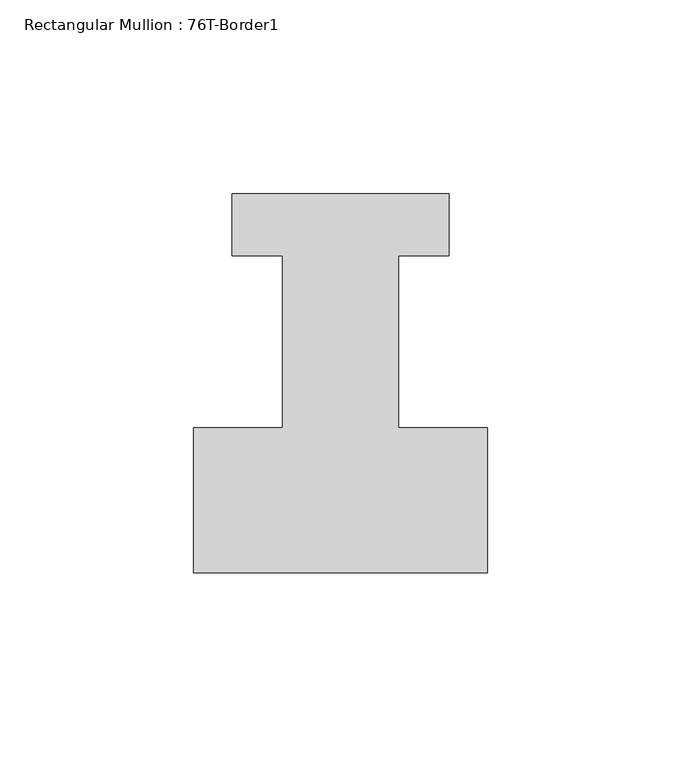
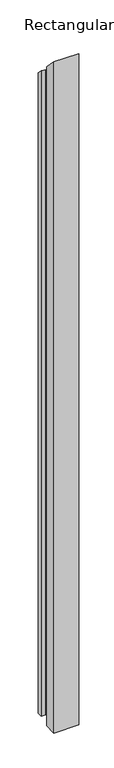
"""IFC4 building model written with IfcOpenShell, lengths in millimetres: member geometry, Rectangular Mullion : 76T-Border1."""

from ifc_helpers import new_model, si_unit, origin, place, context, project, spatial, faceted_brep, source, transform, mapped, element, save


def rectangular_mullion_76t_border1_e80db7bd(model_context):
    return source(origin(), model_context, "Body", "Brep", [
        faceted_brep([(-76.0, -38.0, -2100.0), (-76.0, -0.5, -2100.0), (-53.0, -0.5, -2100.0), (-53.0, 44.0, -2100.0), (-66.0, 44.0, -2100.0), (-66.0, 60.0, -2100.0), (-10.0, 60.0, -2100.0), (-10.0, 44.0, -2100.0), (-23.0, 44.0, -2100.0), (-23.0, -0.5, -2100.0), (0.0, -0.5, -2100.0), (0.0, -38.0, -2100.0), (0.0, -38.0, 38.0), (-76.0, -38.0, 38.0), (0.0, -0.5, 0.5), (-23.0, -0.5, 0.5), (-23.0, 44.0, -44.0), (-10.0, 44.0, -44.0), (-10.0, 60.0, -60.0), (-66.0, 60.0, -60.0), (-66.0, 44.0, -44.0), (-53.0, 44.0, -44.0), (-53.0, -0.5, 0.5), (-76.0, -0.5, 0.5)], [[[0, 1, 2, 3, 4, 5, 6, 7, 8, 9, 10, 11]], [[12, 13, 0, 11]], [[14, 12, 11, 10]], [[15, 14, 10, 9]], [[16, 15, 9, 8]], [[17, 16, 8, 7]], [[18, 17, 7, 6]], [[19, 18, 6, 5]], [[20, 19, 5, 4]], [[21, 20, 4, 3]], [[22, 21, 3, 2]], [[23, 22, 2, 1]], [[13, 23, 1, 0]], [[13, 12, 14, 15, 16, 17, 18, 19, 20, 21, 22, 23]]]),
    ])


if __name__ == "__main__":
    model = new_model("IFC4")
    model_context = context("Model", 3, world=origin())
    ifc_project = project(units=[si_unit("LENGTHUNIT", "METRE", prefix="MILLI")], contexts=[model_context])
    site = spatial("IfcSite", under=ifc_project)
    building = spatial("IfcBuilding", under=site)
    placement = place(None, origin())
    rectangular_mullion_76t_border1_shape = rectangular_mullion_76t_border1_e80db7bd(model_context)
    element("IfcMember", 1, ObjectType="Rectangular Mullion : 76T-Border1", at=placement, inside=building, context=model_context, shape_type="MappedRepresentation", body=[
        mapped(rectangular_mullion_76t_border1_shape, transform((0.0, 0.0, 0.0), x_axis=(1.0, 0.0, 0.0), y_axis=(0.0, 1.0, 0.0), z_axis=(0.0, 0.0, 1.0))),
    ])
    save(model, "model.ifc")
